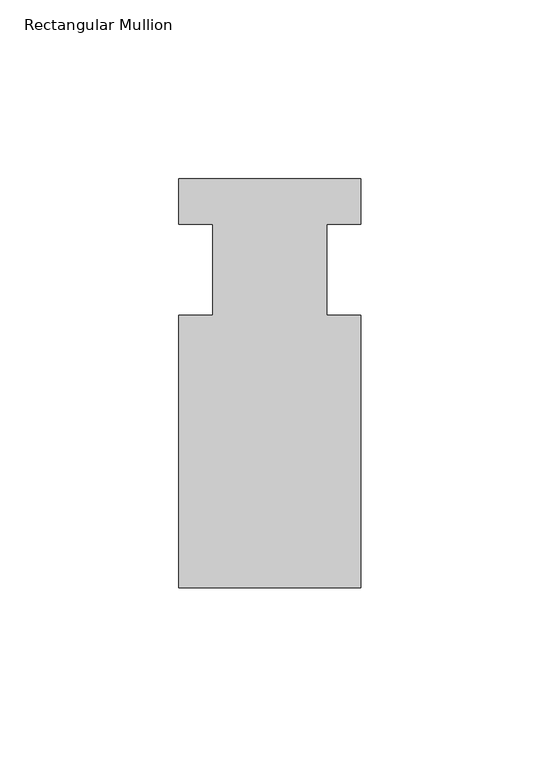
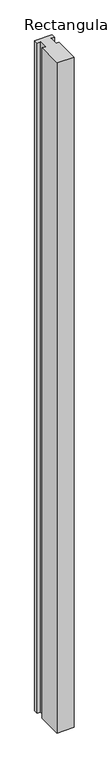
"""IFC4 building model written with IfcOpenShell, lengths in millimetres: member geometry, Rectangular Mullion."""

from ifc_helpers import new_model, si_unit, frame, origin, place, context, project, spatial, polyline, outline, extrude, source, transform, mapped, element, save


def rectangular_mullion_74f43f5e(model_context):
    return source(origin(), model_context, "Body", "SweptSolid", [
        extrude(outline(polyline([(25.4, -101.6), (-25.4, -101.6), (-25.4, -25.4), (-15.875, -25.4), (-15.875, 0.0), (-25.4, 0.0), (-25.4, 12.7), (25.4, 12.7), (25.4, 0.0), (15.875, 0.0), (15.875, -25.4), (25.4, -25.4), (25.4, -101.6)])), frame((0.0, 0.0, -2098.675), z_axis=(0.0, 0.0, 1.0), x_axis=(1.0, 0.0, 0.0)), (0.0, 0.0, 1.0), 2098.675),
    ])


if __name__ == "__main__":
    model = new_model("IFC4")
    model_context = context("Model", 3, world=origin())
    ifc_project = project(units=[si_unit("LENGTHUNIT", "METRE", prefix="MILLI")], contexts=[model_context])
    site = spatial("IfcSite", under=ifc_project)
    building = spatial("IfcBuilding", under=site)
    placement = place(None, origin())
    rectangular_mullion_shape = rectangular_mullion_74f43f5e(model_context)
    element("IfcMember", 1, ObjectType="Rectangular Mullion", at=placement, inside=building, context=model_context, shape_type="MappedRepresentation", body=[
        mapped(rectangular_mullion_shape, transform((0.0, 0.0, 0.0), x_axis=(1.0, 0.0, 0.0), y_axis=(0.0, 1.0, 0.0), z_axis=(0.0, 0.0, 1.0))),
    ])
    save(model, "model.ifc")
